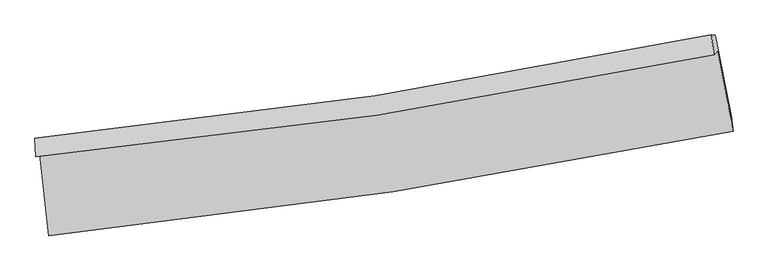
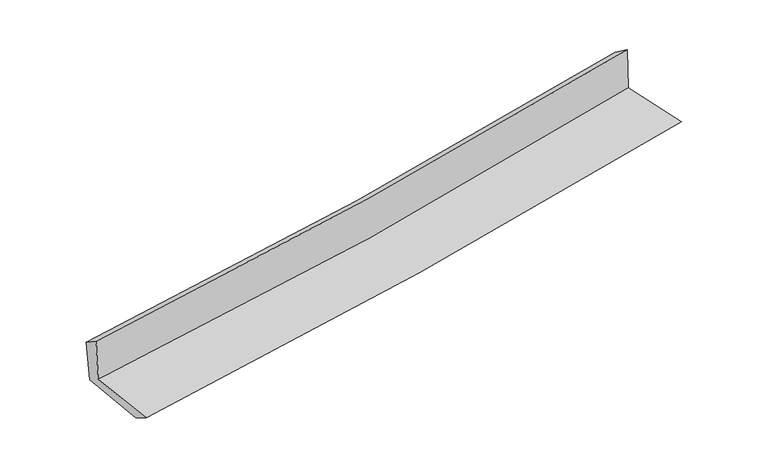
"""IFC4 building model written with IfcOpenShell, lengths in millimetres: proxy geometry."""

from ifc_helpers import new_model, si_unit, frame, origin, place, context, project, spatial, source, transform, mapped, element, save
from ifc_brep_helpers import plane_surface, spline_curve, spline_surface, advanced_brep


def generic_models_4a97ba64(model_context):
    return source(origin(), model_context, "Body", "AdvancedBrep", [
        advanced_brep(
        [(-2824.1869031, -1893.966873, 1631.5551862), (-2751.4914034, -2563.79797, 1619.3407002), (2893.1181747, -1703.8215417, 2133.844936), (2765.2006984, -1040.6727607, 2121.5074977), (-2856.3483639, -1912.591667, 2043.192868), (2735.7980103, -1069.93405, 2532.7862232), (-2864.2163586, -1760.7549438, 1942.1855615), (2714.099045, -908.0429367, 2418.1005031), (-2831.4921516, -1763.1790125, 1550.9136678), (2747.6462391, -910.8671184, 2031.3803434), (-2760.4894098, -2409.6048757, 1528.9133427), (2878.4508948, -1573.2616844, 2008.1623865)],
        [
            (0, 1),
            (1, 2, spline_curve(3, [(-2751.4914034, -2563.79797, 1619.3407002), (-1802.48976194, -2466.065003402, 1707.099274778), (-856.75717965, -2345.362170914, 1793.930035265), (1024.755704037, -2058.537241837, 1965.424737298), (1960.559647926, -1892.581264917, 2050.095388692), (2893.1181747, -1703.8215417, 2133.844936)], [4, 2, 4], [0.0, 9.378253637141786, 18.722533675789084])),
            (2, 3),
            (3, 0, spline_curve(3, [(2765.2006984, -1040.6727607, 2121.5074977), (1844.121115685, -1240.143381108, 2041.282821511), (918.652204389, -1410.909683867, 1960.416378975), (-944.445021055, -1695.550158207, 1797.103617001), (-1882.105310254, -1809.215226316, 1714.652622419), (-2824.1869031, -1893.966873, 1631.5551862)], [4, 2, 4], [0.0, 9.344280038647298, 18.722533675789084])),
            (4, 0),
            (3, 5),
            (5, 4, spline_curve(3, [(2735.7980103, -1069.93405, 2532.7862232), (1813.274022448, -1263.962179589, 2455.832272574), (886.852533867, -1431.119138253, 2376.633965068), (-977.167865509, -1712.200760387, 2213.452529611), (-1914.79516801, -1825.929673868, 2129.453052067), (-2856.3483639, -1912.591667, 2043.192868)], [4, 2, 4], [0.0, 9.298789075360439, 18.6313863548013])),
            (6, 4),
            (5, 7),
            (7, 6, spline_curve(3, [(2714.099045, -908.0429367, 2418.1005031), (1793.763645653, -1100.367847979, 2342.037777019), (869.586838893, -1267.506480093, 2264.42162503), (-989.82364526, -1551.927291385, 2105.794627456), (-1925.085306443, -1669.025994879, 2024.772465603), (-2864.2163586, -1760.7549438, 1942.1855615)], [4, 2, 4], [0.0, 9.288259040610523, 18.61028800057849])),
            (8, 6),
            (7, 9),
            (9, 8, spline_curve(3, [(2747.6462391, -910.8671184, 2031.3803434), (1829.085267957, -1112.961900705, 1949.136812962), (905.728951429, -1284.961110923, 1868.046714957), (-953.948912579, -1569.284314037, 1707.882753981), (-1890.305392966, -1681.389068851, 1628.817293189), (-2831.4921516, -1763.1790125, 1550.9136678)], [4, 2, 4], [0.0, 9.278821657773586, 18.591378922806303])),
            (10, 8),
            (9, 11),
            (11, 10, spline_curve(3, [(2878.4508948, -1573.2616844, 2008.1623865), (1945.259754219, -1751.787398931, 1935.009944738), (1009.609655676, -1910.654790849, 1858.574741069), (-870.019199363, -2189.579060496, 1698.848973607), (-1814.015869246, -2309.492732525, 1615.534496354), (-2760.4894098, -2409.6048757, 1528.9133427)], [4, 2, 4], [0.0, 9.325009080708957, 18.683921695254142])),
            (1, 10),
            (11, 2),
        ],
        [
            spline_surface(3, 3, [[(-2824.1869031, -1893.966873, 1631.5551862), (-1882.105310119, -1809.215226191, 1714.652622314), (-944.445021003, -1695.550158268, 1797.103616956), (918.652204337, -1410.909683807, 1960.41637902), (1844.121115742, -1240.143380965, 2041.28282154), (2765.2006984, -1040.6727607, 2121.5074977)], [(-2799.955069872, -2117.243905313, 1627.483690876), (-1855.566794073, -2028.165151899, 1712.134839798), (-915.215740597, -1912.154162475, 1796.0457564), (954.020037625, -1626.785536515, 1962.08583175), (1882.933959852, -1457.622675617, 2044.220343897), (2807.83985717, -1261.722354345, 2125.619977137)], [(-2775.723236628, -2340.520937687, 1623.412195524), (-1829.02827801, -2247.115077668, 1709.617057255), (-885.986460207, -2128.758166648, 1794.987895877), (989.387870899, -1842.661389187, 1963.755284513), (1921.746803952, -1675.101970333, 2047.157866243), (2850.47901593, -1482.771948055, 2129.732456563)], [(-2751.4914034, -2563.79797, 1619.3407002), (-1802.489761963, -2466.065003376, 1707.099274739), (-856.757179801, -2345.362170855, 1793.930035321), (1024.755704187, -2058.537241895, 1965.424737242), (1960.559648062, -1892.581264985, 2050.0953886), (2893.1181747, -1703.8215417, 2133.844936)]], [4, 4], [4, 2, 4], [0.0, 2.151955112132099], [0.0, 9.378253637141786, 18.722533675789084]),
            spline_surface(3, 3, [[(-2856.3483639, -1912.591667, 2043.192868), (-1914.79516816, -1825.929673877, 2129.453052104), (-977.167865371, -1712.20076033, 2213.452529586), (886.85253373, -1431.119138311, 2376.633965093), (1813.274022326, -1263.962179529, 2455.83227265), (2735.7980103, -1069.93405, 2532.7862232)], [(-2845.627876966, -1906.383402353, 1905.980307388), (-1903.898548812, -1820.358191335, 1991.186242162), (-966.260250562, -1706.65055965, 2074.669558717), (897.452423952, -1424.382653484, 2237.894769743), (1823.556386779, -1256.022580029, 2317.649122257), (2745.598906315, -1060.180286921, 2395.693314676)], [(-2834.907390034, -1900.175137647, 1768.767746812), (-1893.001929467, -1814.786708733, 1852.919432256), (-955.352635812, -1701.100358947, 1935.886587825), (908.052314115, -1417.646168634, 2099.15557437), (1833.838751288, -1248.082980465, 2179.465971934), (2755.399802385, -1050.426523779, 2258.600406224)], [(-2824.1869031, -1893.966873, 1631.5551862), (-1882.105310119, -1809.215226191, 1714.652622314), (-944.445021003, -1695.550158268, 1797.103616956), (918.652204337, -1410.909683807, 1960.41637902), (1844.121115742, -1240.143380965, 2041.28282154), (2765.2006984, -1040.6727607, 2121.5074977)]], [4, 4], [4, 2, 4], [0.0, 1.3711879864159047], [0.0, 9.332597279440861, 18.6313863548013]),
            spline_surface(3, 3, [[(-2864.2163586, -1760.7549438, 1942.1855615), (-1925.085306342, -1669.025995022, 2024.772465538), (-989.823645272, -1551.927291429, 2105.794627467), (869.586838905, -1267.506480049, 2264.421625019), (1793.763645716, -1100.367847955, 2342.037776956), (2714.099045, -908.0429367, 2418.1005031)], [(-2861.593693711, -1811.367184872, 1975.854663652), (-1921.655260293, -1721.327221313, 2059.665994378), (-985.605051975, -1605.351781046, 2141.680594849), (875.34207051, -1322.044032786, 2301.825738386), (1800.26710459, -1154.899291824, 2379.96927552), (2721.332033437, -962.006641144, 2456.329076466)], [(-2858.971028789, -1861.979425928, 2009.523765848), (-1918.225214209, -1773.628447586, 2094.559523264), (-981.386458668, -1658.776270713, 2177.566562204), (881.097302125, -1376.581585574, 2339.229851726), (1806.770563452, -1209.43073566, 2417.900774087), (2728.565021863, -1015.970345556, 2494.557649834)], [(-2856.3483639, -1912.591667, 2043.192868), (-1914.79516816, -1825.929673877, 2129.453052104), (-977.167865371, -1712.20076033, 2213.452529586), (886.85253373, -1431.119138311, 2376.633965093), (1813.274022326, -1263.962179529, 2455.83227265), (2735.7980103, -1069.93405, 2532.7862232)]], [4, 4], [4, 2, 4], [0.0, 0.6440070073126141], [0.0, 9.322028959967966, 18.61028800057849]),
            spline_surface(3, 3, [[(-2831.4921516, -1763.1790125, 1550.9136678), (-1890.305393048, -1681.389068868, 1628.817293275), (-953.948912591, -1569.284314143, 1707.88275398), (905.728951441, -1284.961110817, 1868.046714957), (1829.085267865, -1112.961900826, 1949.13681283), (2747.6462391, -910.8671184, 2031.3803434)], [(-2842.400220587, -1762.370989595, 1681.337632361), (-1901.898697467, -1677.268044248, 1760.80235069), (-965.907156812, -1563.498639901, 1840.520045125), (893.681580602, -1279.142900557, 2000.171684961), (1817.311393811, -1108.763883182, 2080.103800889), (2736.463841063, -909.92572448, 2160.287063317)], [(-2853.308289613, -1761.562966705, 1811.761596939), (-1913.492001924, -1673.147019642, 1892.787408122), (-977.865401051, -1557.712965672, 1973.157336322), (881.634209744, -1273.324690309, 2132.296655016), (1805.53751977, -1104.565865599, 2211.070788897), (2725.281443037, -908.98433062, 2289.193783183)], [(-2864.2163586, -1760.7549438, 1942.1855615), (-1925.085306342, -1669.025995022, 2024.772465538), (-989.823645272, -1551.927291429, 2105.794627467), (869.586838905, -1267.506480049, 2264.421625019), (1793.763645716, -1100.367847955, 2342.037776956), (2714.099045, -908.0429367, 2418.1005031)]], [4, 4], [4, 2, 4], [0.0, 1.3095631522514963], [0.0, 9.312557265032718, 18.591378922806303]),
            spline_surface(3, 3, [[(-2760.4894098, -2409.6048757, 1528.9133427), (-1814.01586934, -2309.492732394, 1615.53449628), (-870.019199496, -2189.579060508, 1698.848973751), (1009.609655809, -1910.654790837, 1858.574740926), (1945.259754186, -1751.787398947, 1935.009944723), (2878.4508948, -1573.2616844, 2008.1623865)], [(-2784.156990394, -2194.129587956, 1536.246784423), (-1839.44571057, -2100.124844542, 1619.962095301), (-897.995770545, -1982.814145062, 1701.860233832), (974.982754336, -1702.090230839, 1861.732065608), (1906.534925438, -1538.845566233, 1939.718900759), (2834.849342926, -1352.463495727, 2015.901705467)], [(-2807.824571006, -1978.654300244, 1543.580226077), (-1864.875551818, -1890.756956721, 1624.389694254), (-925.972341542, -1776.049229589, 1704.871493899), (940.355852914, -1493.525670814, 1864.889390275), (1867.810096613, -1325.90373354, 1944.427856794), (2791.247790974, -1131.665307073, 2023.641024433)], [(-2831.4921516, -1763.1790125, 1550.9136678), (-1890.305393048, -1681.389068868, 1628.817293275), (-953.948912591, -1569.284314143, 1707.88275398), (905.728951441, -1284.961110817, 1868.046714957), (1829.085267865, -1112.961900826, 1949.13681283), (2747.6462391, -910.8671184, 2031.3803434)]], [4, 4], [4, 2, 4], [0.0, 2.0672069669697004], [0.0, 9.358912614545185, 18.683921695254142]),
            spline_surface(3, 3, [[(-2751.4914034, -2563.79797, 1619.3407002), (-1802.489761963, -2466.065003376, 1707.099274739), (-856.757179801, -2345.362170855, 1793.930035321), (1024.755704187, -2058.537241895, 1965.424737242), (1960.559648062, -1892.581264985, 2050.0953886), (2893.1181747, -1703.8215417, 2133.844936)], [(-2754.490738869, -2512.40027191, 1589.198247701), (-1806.331797758, -2413.874246392, 1676.57768192), (-861.177853042, -2293.434467399, 1762.236348138), (1019.707021384, -2009.243091535, 1929.80807181), (1955.459683426, -1845.649976322, 2011.733573978), (2888.229081389, -1660.301589283, 2091.950752837)], [(-2757.490074331, -2461.00257379, 1559.055795199), (-1810.173833545, -2361.683489378, 1646.056089099), (-865.598526254, -2241.506763964, 1730.542660934), (1014.658338611, -1959.948941197, 1894.191406358), (1950.359718822, -1798.71868761, 1973.371759345), (2883.339988111, -1616.781636817, 2050.056569663)], [(-2760.4894098, -2409.6048757, 1528.9133427), (-1814.01586934, -2309.492732394, 1615.53449628), (-870.019199496, -2189.579060508, 1698.848973751), (1009.609655809, -1910.654790837, 1858.574740926), (1945.259754186, -1751.787398947, 1935.009944723), (2878.4508948, -1573.2616844, 2008.1623865)]], [4, 4], [4, 2, 4], [0.0, 0.6000343645637878], [0.0, 9.414205487749465, 18.794307138072448]),
            plane_surface(frame((2789.052177, -1201.1000153, 2207.630315), z_axis=(0.9781833538861108, 0.19023861305683554, 0.08346613853732254), x_axis=(-0.086421128584126, 0.007275391622828692, 0.9962321301840151))),
            plane_surface(frame((-2814.7040984, -2050.6492237, 1719.3502211), z_axis=(-0.9909558613299786, -0.10604722846999638, -0.08222205439900238), x_axis=(-0.10787682984430921, 0.9939990175967772, 0.018125744105655355))),
        ],
        [
            (0, [[1, 2, 3, 4]]),
            (1, [[5, -4, 6, 7]]),
            (2, [[8, -7, 9, 10]]),
            (3, [[11, -10, 12, 13]]),
            (4, [[14, -13, 15, 16]]),
            (5, [[17, -16, 18, -2]]),
            (6, [[-12, -9, -6, -3, -18, -15]]),
            (7, [[-1, -5, -8, -11, -14, -17]]),
        ],
    ),
    ])


if __name__ == "__main__":
    model = new_model("IFC4")
    model_context = context("Model", 3, world=origin())
    ifc_project = project(units=[si_unit("LENGTHUNIT", "METRE", prefix="MILLI")], contexts=[model_context])
    site = spatial("IfcSite", under=ifc_project)
    building = spatial("IfcBuilding", under=site)
    placement = place(None, origin())
    generic_models_shape = generic_models_4a97ba64(model_context)
    element("IfcBuildingElementProxy", 1, Name="Generic Models", at=placement, inside=building, context=model_context, shape_type="MappedRepresentation", body=[
        mapped(generic_models_shape, transform((0.0, 0.0, 0.0), x_axis=(1.0, 0.0, 0.0), y_axis=(0.0, 1.0, 0.0), z_axis=(0.0, 0.0, 1.0))),
    ])
    save(model, "model.ifc")
